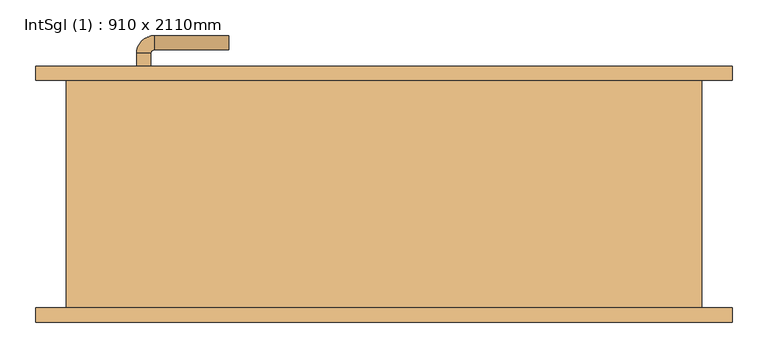
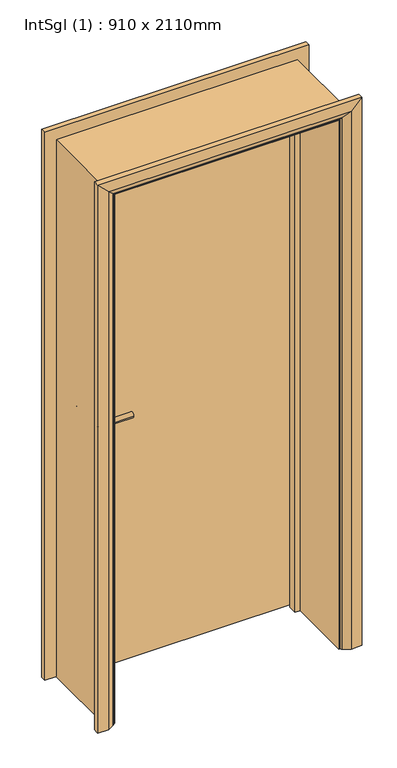
"""IFC4 building model written with IfcOpenShell, lengths in millimetres: door geometry, IntSgl (1) : 910 x 2110mm."""

import ifcopenshell
import ifcopenshell.guid

model = None  # the IFC model being written
_history = None  # IfcOwnerHistory: only IFC2X3 demands one
_inside = {}  # id of a spatial element -> (the spatial element, [elements in it])
_under = {}  # id of a project, library or spatial element -> (it, [spatial elements below it])
_declared = {}  # id of a project -> (the project, [libraries it declares])
_typed = {}  # id of a type object -> (the type object, [elements of that type])
_made_of = {}  # id of a material, layer set ... -> (it, [elements and type objects made of it])


def new_model(schema):
    """Start an empty IFC model of exactly this schema.

    Asked for "IFC4X3", IfcOpenShell would pick the latest addendum, in which some entities
    have other attributes; the version numbers below select the first issue.
    IFC2X3 requires an IfcOwnerHistory on every rooted entity: one is made here for all.
    """
    global model, _history
    if schema == "IFC4X3":
        model = ifcopenshell.file(schema_version=(4, 3, 0, 0))
    else:
        model = ifcopenshell.file(schema=schema)
    _inside.clear()
    _under.clear()
    _declared.clear()
    _typed.clear()
    _made_of.clear()
    _history = None
    if model.schema == "IFC2X3":
        org = make("IfcOrganization", Name="unknown")
        user = make(
            "IfcPersonAndOrganization",
            ThePerson=make("IfcPerson", FamilyName="unknown"),
            TheOrganization=org,
        )
        app = make(
            "IfcApplication",
            ApplicationDeveloper=org,
            Version="unknown",
            ApplicationFullName="unknown",
            ApplicationIdentifier="unknown",
        )
        _history = make(
            "IfcOwnerHistory",
            OwningUser=user,
            OwningApplication=app,
            ChangeAction="ADDED",
            CreationDate=0,
        )
    return model


def make(cls, **values):
    """One entity of the class cls with the attributes given. An attribute that is None is left unset."""
    return model.create_entity(
        cls, **{name: value for name, value in values.items() if value is not None}
    )


def rooted(cls, **values):
    """An entity with a GlobalId (a new one), such as an element, a storey or a relation."""
    return make(cls, GlobalId=ifcopenshell.guid.new(), OwnerHistory=_history, **values)


def si_unit(unit_type, name, prefix=None):
    """IfcSIUnit, for example si_unit("LENGTHUNIT", "METRE", prefix="MILLI")."""
    return make("IfcSIUnit", UnitType=unit_type, Prefix=prefix, Name=name)


def assignment(units):
    """IfcUnitAssignment: the units of a project."""
    return None if units is None else make("IfcUnitAssignment", Units=units)


def point(xyz):
    """IfcCartesianPoint."""
    return None if xyz is None else make("IfcCartesianPoint", Coordinates=xyz)


def direction(xyz):
    """IfcDirection."""
    return None if xyz is None else make("IfcDirection", DirectionRatios=xyz)


def frame(location, z_axis=None, x_axis=None):
    """IfcAxis2Placement3D, a coordinate frame: its origin and axes. An axis left out is left unset."""
    return make(
        "IfcAxis2Placement3D",
        Location=point(location),
        Axis=direction(z_axis),
        RefDirection=direction(x_axis),
    )


def frame_2d(location, x_axis=None):
    """IfcAxis2Placement2D, a coordinate frame in the plane: its origin and x axis."""
    return make(
        "IfcAxis2Placement2D", Location=point(location), RefDirection=direction(x_axis)
    )


def origin():
    """The frame at (0, 0, 0) with its axes left unset."""
    return frame((0.0, 0.0, 0.0))


def place(relative_to, where):
    """IfcLocalPlacement: puts the frame where relative to a parent placement (None: the world)."""
    return make(
        "IfcLocalPlacement", PlacementRelTo=relative_to, RelativePlacement=where
    )


def context(
    kind, dimensions, precision=None, world=None, true_north=None, identifier=None
):
    """IfcGeometricRepresentationContext, for example the 3D "Model" context."""
    return make(
        "IfcGeometricRepresentationContext",
        ContextIdentifier=identifier,
        ContextType=kind,
        CoordinateSpaceDimension=dimensions,
        Precision=precision,
        WorldCoordinateSystem=world,
        TrueNorth=true_north,
    )


def project(units=None, contexts=None):
    """IfcProject with its units and contexts."""
    return rooted(
        "IfcProject",
        Name="project",
        RepresentationContexts=contexts,
        UnitsInContext=assignment(units),
    )


def spatial(cls, under=None, at=None, **own):
    """A site, building, storey or space (cls), placed at a placement, below another one or the project."""
    s = rooted(cls, ObjectPlacement=at, **own)
    if under is not None:
        _under.setdefault(under.id(), (under, []))[1].append(s)
    return s


def polyline(points):
    """IfcPolyline through the points."""
    return make("IfcPolyline", Points=[point(p) for p in points])


def circle_curve(where, radius):
    """IfcCircle in the frame where."""
    return make("IfcCircle", Position=where, Radius=radius)


def ellipse_curve(where, semi_axis1, semi_axis2):
    """IfcEllipse in the frame where."""
    return make(
        "IfcEllipse", Position=where, SemiAxis1=semi_axis1, SemiAxis2=semi_axis2
    )


def trimmed(basis, trim1, trim2, sense, master):
    """IfcTrimmedCurve: the piece of a basis curve between two trims."""
    return make(
        "IfcTrimmedCurve",
        BasisCurve=basis,
        Trim1=trim1,
        Trim2=trim2,
        SenseAgreement=sense,
        MasterRepresentation=master,
    )


def segment(curve, same_sense, transition):
    """IfcCompositeCurveSegment."""
    return make(
        "IfcCompositeCurveSegment",
        Transition=transition,
        SameSense=same_sense,
        ParentCurve=curve,
    )


def composite_curve(segments, self_intersect=None):
    """IfcCompositeCurve: segments joined end to end."""
    return make("IfcCompositeCurve", Segments=segments, SelfIntersect=self_intersect)


def outline(outer, holes=None, kind="AREA"):
    """IfcArbitraryClosedProfileDef: a profile drawn as a closed curve; with holes, ...WithVoids."""
    if holes is None:
        return make("IfcArbitraryClosedProfileDef", ProfileType=kind, OuterCurve=outer)
    return make(
        "IfcArbitraryProfileDefWithVoids",
        ProfileType=kind,
        OuterCurve=outer,
        InnerCurves=holes,
    )


def extrude(swept, where, along, depth):
    """IfcExtrudedAreaSolid: the profile swept, set in the frame where, extruded along a direction by depth."""
    return make(
        "IfcExtrudedAreaSolid",
        SweptArea=swept,
        Position=where,
        ExtrudedDirection=direction(along),
        Depth=depth,
    )


def faces_of(points, faces, orient=None, outer=None):
    """IfcFace entities. A face is a list of loops; a loop is a list of indices into points, from 0.

    orient and outer hold one flag for each loop. By default every Orientation is true, the
    first loop of a face is its IfcFaceOuterBound and the others are IfcFaceBound.
    """
    made = []
    for i, loops in enumerate(faces):
        bounds = []
        for j, loop in enumerate(loops):
            is_outer = j == 0 if outer is None else outer[i][j]
            bounds.append(
                make(
                    "IfcFaceOuterBound" if is_outer else "IfcFaceBound",
                    Bound=make("IfcPolyLoop", Polygon=[points[k] for k in loop]),
                    Orientation=True if orient is None else orient[i][j],
                )
            )
        made.append(make("IfcFace", Bounds=bounds))
    return made


def faceted_brep(points, faces, orient=None, outer=None, voids=None):
    """IfcFacetedBrep: a solid bounded by flat faces; with voids (closed shells), ...WithVoids."""
    shared = [point(p) for p in points]
    hull = make("IfcClosedShell", CfsFaces=faces_of(shared, faces, orient, outer))
    if voids is None:
        return make("IfcFacetedBrep", Outer=hull)
    return make(
        "IfcFacetedBrepWithVoids",
        Outer=hull,
        Voids=[
            make(cls, CfsFaces=faces_of(shared, fs, o, b)) for cls, fs, o, b in voids
        ],
    )


def shape(context_of_items, identifier, shape_type, items):
    """IfcShapeRepresentation: the items that make up one representation, for example the "Body"."""
    return make(
        "IfcShapeRepresentation",
        ContextOfItems=context_of_items,
        RepresentationIdentifier=identifier,
        RepresentationType=shape_type,
        Items=items,
    )


def source(mapping_origin, context_of_items, identifier, shape_type, items):
    """IfcRepresentationMap: a shape defined once, which mapped items show again and again."""
    return make(
        "IfcRepresentationMap",
        MappingOrigin=mapping_origin,
        MappedRepresentation=shape(context_of_items, identifier, shape_type, items),
    )


def transform(
    local_origin,
    x_axis=None,
    y_axis=None,
    z_axis=None,
    scale=None,
    scale2=None,
    scale3=None,
    uniform=True,
):
    """IfcCartesianTransformationOperator3D, or its non-uniform kind. x_axis, y_axis, z_axis: its Axis1, 2, 3."""
    if uniform:
        return make(
            "IfcCartesianTransformationOperator3D",
            Axis1=direction(x_axis),
            Axis2=direction(y_axis),
            LocalOrigin=point(local_origin),
            Scale=scale,
            Axis3=direction(z_axis),
        )
    return make(
        "IfcCartesianTransformationOperator3DnonUniform",
        Axis1=direction(x_axis),
        Axis2=direction(y_axis),
        LocalOrigin=point(local_origin),
        Scale=scale,
        Axis3=direction(z_axis),
        Scale2=scale2,
        Scale3=scale3,
    )


def mapped(mapping_source, mapping_target):
    """IfcMappedItem: shows the shape of a source again, moved by a transform."""
    return make(
        "IfcMappedItem", MappingSource=mapping_source, MappingTarget=mapping_target
    )


def made_of(thing, what):
    """Note that an element or type object is made of a material, layer set ...; save() writes the relation."""
    if what is not None:
        _made_of.setdefault(what.id(), (what, []))[1].append(thing)
    return thing


def element(
    cls,
    number,
    at=None,
    inside=None,
    cuts=None,
    type_object=None,
    material=None,
    context=None,
    identifier="Body",
    shape_type=None,
    held_by="IfcProductDefinitionShape",
    body=None,
    shapes=None,
    **own,
):
    """One element of the class cls, such as IfcWall. Its Tag is "e" and its number.

    at: its placement. inside: the storey or other place that contains it. cuts: it is an
    opening in that element (IfcRelVoidsElement). A single representation is given by context,
    identifier, shape_type and body (its items); several are given by shapes. held_by: the class
    of the entity that holds the representations. save() writes the other relations.
    """
    e = rooted(cls, Tag="e%d" % number, ObjectPlacement=at, **own)
    if body is not None:
        shapes = [shape(context, identifier, shape_type, body)]
    if shapes is not None:
        e.Representation = make(held_by, Representations=shapes)
    if inside is not None:
        _inside.setdefault(inside.id(), (inside, []))[1].append(e)
    if cuts is not None:
        rooted(
            "IfcRelVoidsElement", RelatingBuildingElement=cuts, RelatedOpeningElement=e
        )
    if type_object is not None:
        _typed.setdefault(type_object.id(), (type_object, []))[1].append(e)
    return made_of(e, material)


def aggregate(whole, parts):
    """IfcRelAggregates: a whole, such as a stair, and the parts it consists of."""
    return rooted("IfcRelAggregates", RelatingObject=whole, RelatedObjects=parts)


def save(model, path):
    """Write the relations noted so far, then the file.

    IfcRelAggregates (storeys below a building ...), IfcRelContainedInSpatialStructure (elements
    in a storey), IfcRelDefinesByType, IfcRelAssociatesMaterial and IfcRelDeclares: one each for
    every whole, place, type object, material and project.
    """
    for whole, parts in _under.values():
        aggregate(whole, parts)
    for where, things in _inside.values():
        rooted(
            "IfcRelContainedInSpatialStructure",
            RelatedElements=things,
            RelatingStructure=where,
        )
    for kind, things in _typed.values():
        rooted("IfcRelDefinesByType", RelatedObjects=things, RelatingType=kind)
    for what, things in _made_of.values():
        rooted("IfcRelAssociatesMaterial", RelatedObjects=things, RelatingMaterial=what)
    for by, libraries in _declared.values():
        rooted("IfcRelDeclares", RelatingContext=by, RelatedDefinitions=libraries)
    model.write(path)


def plane_surface(at):
    """IfcPlane: the flat surface through the origin of the frame at, square to its z axis."""
    return make("IfcPlane", Position=at)


def cylinder_surface(at, radius):
    """IfcCylindricalSurface: all points at the distance radius from the z axis of the frame at."""
    return make("IfcCylindricalSurface", Position=at, Radius=radius)


def revolved_surface(curve, axis_point, axis_direction):
    """IfcSurfaceOfRevolution: the curve turned about the line through axis_point along axis_direction."""
    return make(
        "IfcSurfaceOfRevolution",
        SweptCurve=make("IfcArbitraryOpenProfileDef", ProfileType="CURVE", Curve=curve),
        AxisPosition=make("IfcAxis1Placement", Location=point(axis_point), Axis=direction(axis_direction)),
    )


def advanced_brep(points, edges, surfaces, faces):
    """IfcAdvancedBrep: a solid bounded by faces that lie on surfaces and meet in shared edges.

    An edge is (start, end): straight between two places in points (the first is 0);
    or (start, end, curve); or (start, end, curve, False) where it runs against its curve.
    A face is (place in surfaces, loops), or (place, loops, False) where it looks against
    its surface's normal. A loop lists edges by number (the first is 1), with a minus sign
    where the edge is run from its end to its start. The first loop is the outer one.
    """
    corners = [point(p) for p in points]
    vertices = [make("IfcVertexPoint", VertexGeometry=c) for c in corners]
    made = []
    for start, end, *more in edges:
        made.append(
            make(
                "IfcEdgeCurve",
                EdgeStart=vertices[start],
                EdgeEnd=vertices[end],
                EdgeGeometry=more[0] if more else make("IfcPolyline", Points=[corners[start], corners[end]]),
                SameSense=more[1] if len(more) > 1 else True,
            )
        )
    hull = []
    for where, loops, *sense in faces:
        bounds = []
        for j, loop in enumerate(loops):
            ring = [make("IfcOrientedEdge", EdgeElement=made[abs(k) - 1], Orientation=k > 0) for k in loop]
            bounds.append(
                make(
                    "IfcFaceOuterBound" if j == 0 else "IfcFaceBound",
                    Bound=make("IfcEdgeLoop", EdgeList=ring),
                    Orientation=True,
                )
            )
        hull.append(make("IfcAdvancedFace", Bounds=bounds, FaceSurface=surfaces[where], SameSense=sense[0] if sense else True))
    return make("IfcAdvancedBrep", Outer=make("IfcClosedShell", CfsFaces=hull))


def intsgl_1_910_x_2110mm_5c128fe5(model_context):
    return source(origin(), model_context, "Body", "SolidModel", [
        advanced_brep(
        [(-348.0, 114.0, 1000.0), (-328.0, 114.0, 1000.0), (-328.0, 84.0, 1000.0), (-348.0, 84.0, 1000.0), (-323.0, 79.0, 1000.0), (-323.0, 59.0, 1000.0), (-218.0, 59.0, 1000.0), (-218.0, 79.0, 1000.0)],
        [
            (0, 1, circle_curve(frame((-338.0, 114.0, 1000.0), z_axis=(0.0, 1.0, 0.0), x_axis=(1.0, 0.0, 0.0)), 10.0)),
            (1, 0, circle_curve(frame((-338.0, 114.0, 1000.0), z_axis=(0.0, 1.0, 0.0), x_axis=(1.0, 0.0, 0.0)), 10.0)),
            (1, 2),
            (2, 3, circle_curve(frame((-338.0, 84.0, 1000.0), z_axis=(0.0, 1.0, 0.0), x_axis=(1.0, 0.0, 0.0)), 10.0)),
            (3, 0),
            (3, 2, circle_curve(frame((-338.0, 84.0, 1000.0), z_axis=(0.0, 1.0, 0.0), x_axis=(1.0, 0.0, 0.0)), 10.0)),
            (4, 5, circle_curve(frame((-323.0, 69.0, 1000.0), z_axis=(-1.0, 0.0, 0.0), x_axis=(0.0, 1.0, 0.0)), 10.0)),
            (5, 3, circle_curve(frame((-323.0, 84.0, 1000.0), z_axis=(0.0, 0.0, -1.0), x_axis=(-1.0, 0.0, 0.0)), 25.0)),
            (2, 4, circle_curve(frame((-323.0, 84.0, 1000.0), z_axis=(0.0, 0.0, 1.0), x_axis=(-1.0, 0.0, 0.0)), 5.0)),
            (5, 4, circle_curve(frame((-323.0, 69.0, 1000.0), z_axis=(-1.0, 0.0, 0.0), x_axis=(0.0, 1.0, 0.0)), 10.0)),
            (6, 7, circle_curve(frame((-218.0, 69.0, 1000.0), z_axis=(1.0, 0.0, 0.0), x_axis=(0.0, 1.0, 0.0)), 10.0)),
            (7, 6, circle_curve(frame((-218.0, 69.0, 1000.0), z_axis=(1.0, 0.0, 0.0), x_axis=(0.0, 1.0, 0.0)), 10.0)),
            (4, 7),
            (6, 5),
        ],
        [
            plane_surface(frame((-338.0, 114.0, 1000.0), z_axis=(0.0, 1.0, 0.0), x_axis=(0.0, 0.0, 1.0))),
            cylinder_surface(frame((-338.0, 114.0, 1000.0), z_axis=(0.0, 1.0, 0.0), x_axis=(1.0, 0.0, 0.0)), 10.0),
            revolved_surface(trimmed(ellipse_curve(frame((-338.0, 84.0, 1000.0), z_axis=(0.0, -1.0, 0.0), x_axis=(1.0, 0.0, 0.0)), 10.0, 10.0), [point((-348.0, 84.0, 1000.0))], [point((-328.0, 84.0, 1000.0))], True, "CARTESIAN"), (-323.0, 84.0, 1000.0), (0.0, 0.0, -1.0)),
            revolved_surface(trimmed(ellipse_curve(frame((-338.0, 84.0, 1000.0), z_axis=(0.0, -1.0, 0.0), x_axis=(1.0, 0.0, 0.0)), 10.0, 10.0), [point((-328.0, 84.0, 1000.0))], [point((-348.0, 84.0, 1000.0))], True, "CARTESIAN"), (-323.0, 84.0, 1000.0), (0.0, 0.0, -1.0)),
            plane_surface(frame((-218.0, 69.0, 1000.0), z_axis=(1.0, 0.0, 0.0), x_axis=(0.0, 0.0, 1.0))),
            cylinder_surface(frame((-323.0, 69.0, 1000.0), z_axis=(-1.0, 0.0, 0.0), x_axis=(0.0, 1.0, 0.0)), 10.0),
        ],
        [
            (0, [[1, 2]]),
            (1, [[3, 4, 5, -2]]),
            (1, [[-5, 6, -3, -1]]),
            (2, [[7, 8, -4, 9]]),
            (3, [[10, -9, -6, -8]]),
            (4, [[11, 12]]),
            (5, [[13, -11, 14, -7]]),
            (5, [[-14, -12, -13, -10]]),
        ],
    ),
        extrude(outline(composite_curve([segment(trimmed(circle_curve(frame_2d((1000.0, -340.5)), 30.0), [point((1000.0, -370.5))], [point((1000.0, -310.5))], False, "CARTESIAN"), True, "CONTINUOUS"), segment(trimmed(circle_curve(frame_2d((1000.0, -340.5)), 30.0), [point((1000.0, -310.5))], [point((1000.0, -370.5))], False, "CARTESIAN"), True, "CONTINUOUS")], self_intersect=False)), frame((0.0, 114.0, 0.0), z_axis=(0.0, 1.0, 0.0), x_axis=(0.0, 0.0, 1.0)), (0.0, 0.0, 1.0), 8.0),
        advanced_brep(
        [(-348.0, 168.0, 1000.0), (-328.0, 168.0, 1000.0), (-348.0, 198.0, 1000.0), (-328.0, 198.0, 1000.0), (-323.0, 203.0, 1000.0), (-323.0, 223.0, 1000.0), (-218.0, 223.0, 1000.0), (-218.0, 203.0, 1000.0)],
        [
            (0, 1, circle_curve(frame((-338.0, 168.0, 1000.0), z_axis=(0.0, -1.0, 0.0), x_axis=(1.0, 0.0, 0.0)), 10.0)),
            (1, 0, circle_curve(frame((-338.0, 168.0, 1000.0), z_axis=(0.0, -1.0, 0.0), x_axis=(1.0, 0.0, 0.0)), 10.0)),
            (0, 2),
            (2, 3, circle_curve(frame((-338.0, 198.0, 1000.0), z_axis=(0.0, -1.0, 0.0), x_axis=(1.0, 0.0, 0.0)), 10.0)),
            (3, 1),
            (3, 2, circle_curve(frame((-338.0, 198.0, 1000.0), z_axis=(0.0, -1.0, 0.0), x_axis=(1.0, 0.0, 0.0)), 10.0)),
            (4, 3, circle_curve(frame((-323.0, 198.0, 1000.0), z_axis=(0.0, 0.0, 1.0), x_axis=(-1.0, 0.0, 0.0)), 5.0)),
            (2, 5, circle_curve(frame((-323.0, 198.0, 1000.0), z_axis=(0.0, 0.0, -1.0), x_axis=(-1.0, 0.0, 0.0)), 25.0)),
            (5, 4, circle_curve(frame((-323.0, 213.0, 1000.0), z_axis=(-1.0, 0.0, 0.0), x_axis=(0.0, -1.0, 0.0)), 10.0)),
            (4, 5, circle_curve(frame((-323.0, 213.0, 1000.0), z_axis=(-1.0, 0.0, 0.0), x_axis=(0.0, -1.0, 0.0)), 10.0)),
            (6, 7, circle_curve(frame((-218.0, 213.0, 1000.0), z_axis=(1.0, 0.0, 0.0), x_axis=(0.0, -1.0, 0.0)), 10.0)),
            (7, 6, circle_curve(frame((-218.0, 213.0, 1000.0), z_axis=(1.0, 0.0, 0.0), x_axis=(0.0, -1.0, 0.0)), 10.0)),
            (5, 6),
            (7, 4),
        ],
        [
            plane_surface(frame((-338.0, 168.0, 1000.0), z_axis=(0.0, -1.0, 0.0), x_axis=(0.0, 0.0, 1.0))),
            cylinder_surface(frame((-338.0, 168.0, 1000.0), z_axis=(0.0, -1.0, 0.0), x_axis=(1.0, 0.0, 0.0)), 10.0),
            revolved_surface(trimmed(ellipse_curve(frame((-338.0, 198.0, 1000.0), z_axis=(0.0, -1.0, 0.0), x_axis=(1.0, 0.0, 0.0)), 10.0, 10.0), [point((-348.0, 198.0, 1000.0))], [point((-328.0, 198.0, 1000.0))], True, "CARTESIAN"), (-323.0, 198.0, 1000.0), (0.0, 0.0, -1.0)),
            revolved_surface(trimmed(ellipse_curve(frame((-338.0, 198.0, 1000.0), z_axis=(0.0, -1.0, 0.0), x_axis=(1.0, 0.0, 0.0)), 10.0, 10.0), [point((-328.0, 198.0, 1000.0))], [point((-348.0, 198.0, 1000.0))], True, "CARTESIAN"), (-323.0, 198.0, 1000.0), (0.0, 0.0, -1.0)),
            plane_surface(frame((-218.0, 213.0, 1000.0), z_axis=(1.0, 0.0, 0.0), x_axis=(0.0, 0.0, 1.0))),
            cylinder_surface(frame((-323.0, 213.0, 1000.0), z_axis=(-1.0, 0.0, 0.0), x_axis=(0.0, -1.0, 0.0)), 10.0),
        ],
        [
            (0, [[1, 2]]),
            (1, [[-1, 3, 4, 5]]),
            (1, [[-2, -5, 6, -3]]),
            (2, [[7, -4, 8, 9]]),
            (3, [[-8, -6, -7, 10]]),
            (4, [[11, 12]]),
            (5, [[-9, 13, -12, 14]]),
            (5, [[-10, -14, -11, -13]]),
        ],
    ),
        extrude(outline(composite_curve([segment(trimmed(circle_curve(frame_2d((1000.0, -340.5)), 30.0), [point((1000.0, -370.5))], [point((1000.0, -310.5))], False, "CARTESIAN"), True, "CONTINUOUS"), segment(trimmed(circle_curve(frame_2d((1000.0, -340.5)), 30.0), [point((1000.0, -310.5))], [point((1000.0, -370.5))], False, "CARTESIAN"), True, "CONTINUOUS")], self_intersect=False)), frame((0.0, 160.0, 0.0), z_axis=(0.0, 1.0, 0.0), x_axis=(0.0, 0.0, 1.0)), (0.0, 0.0, 1.0), 8.0),
        extrude(outline(polyline([(413.0, 122.0), (-413.0, 122.0), (-413.0, 160.0), (413.0, 160.0), (413.0, 122.0)])), frame((0.0, 0.0, 8.0), z_axis=(0.0, 0.0, 1.0), x_axis=(1.0, 0.0, 0.0)), (0.0, 0.0, 1.0), 2060.0),
        advanced_brep(
        [(490.0, 180.0, 0.0), (490.0, 160.0, 0.0), (420.0, 160.0, 0.0), (424.0, 166.0, 0.0), (450.0, 180.0, 0.0), (490.0, 180.0, 2145.0), (490.0, 160.0, 2145.0), (-490.0, 160.0, 2145.0), (-490.0, 160.0, 0.0), (-420.0, 160.0, 0.0), (-420.0, 160.0, 2075.0), (420.0, 160.0, 2075.0), (424.0, 166.0, 2079.0), (450.0, 180.0, 2105.0), (-450.0, 180.0, 2105.0), (-450.0, 180.0, 0.0), (-490.0, 180.0, 0.0), (-490.0, 180.0, 2145.0), (-424.0, 166.0, 2079.0), (-424.0, 166.0, 0.0)],
        [
            (0, 1),
            (1, 2),
            (2, 3, circle_curve(frame((428.0, 159.0, 0.0), z_axis=(0.0, 0.0, -1.0), x_axis=(1.0, 0.0, 0.0)), 8.0622577)),
            (3, 4),
            (4, 0),
            (0, 5),
            (5, 6),
            (6, 1),
            (6, 7),
            (7, 8),
            (8, 9),
            (9, 10),
            (10, 11),
            (11, 2),
            (11, 12, ellipse_curve(frame((428.0, 159.0, 2083.0), z_axis=(0.7071067811865475, 0.0, -0.7071067811865475), x_axis=(-0.7071067811865474, 0.0, -0.7071067811865476)), 11.4017543, 8.0622577)),
            (12, 3),
            (12, 13),
            (13, 4),
            (13, 14),
            (14, 15),
            (15, 16),
            (16, 17),
            (17, 5),
            (17, 7),
            (10, 18, ellipse_curve(frame((-428.0, 159.0, 2083.0), z_axis=(0.7071067811865475, 0.0, 0.7071067811865475), x_axis=(0.7071067811865476, 0.0, -0.7071067811865474)), 11.4017543, 8.0622577)),
            (18, 12),
            (18, 14),
            (15, 19),
            (19, 9, circle_curve(frame((-428.0, 159.0, 0.0), z_axis=(0.0, 0.0, -1.0), x_axis=(-1.0, 0.0, 0.0)), 8.0622577)),
            (8, 16),
            (19, 18),
        ],
        [
            plane_surface(frame((420.0, 160.0, 0.0), z_axis=(0.0, 0.0, -1.0), x_axis=(0.0, -1.0, 0.0))),
            plane_surface(frame((490.0, 180.0, 0.0), z_axis=(1.0, 0.0, 0.0), x_axis=(0.0, 0.0, 1.0))),
            plane_surface(frame((490.0, 160.0, 0.0), z_axis=(0.0, -1.0, 0.0), x_axis=(0.0, 0.0, 1.0))),
            cylinder_surface(frame((428.0, 159.0, 0.0), z_axis=(0.0, 0.0, -1.0), x_axis=(1.0, 0.0, 0.0)), 8.0622577),
            plane_surface(frame((424.0, 166.0, 0.0), z_axis=(-0.4740998230350126, 0.880471099922178, 0.0), x_axis=(0.0, 0.0, 1.0))),
            plane_surface(frame((450.0, 180.0, 0.0), z_axis=(0.0, 1.0, 0.0), x_axis=(0.0, 0.0, 1.0))),
            plane_surface(frame((490.0, 180.0, 2145.0), z_axis=(0.0, 0.0, 1.0), x_axis=(-1.0, 0.0, 0.0))),
            cylinder_surface(frame((420.0, 159.0, 2083.0), z_axis=(1.0, 0.0, 0.0), x_axis=(0.0, 0.0, 1.0)), 8.0622577),
            plane_surface(frame((424.0, 166.0, 2079.0), z_axis=(0.0, 0.8804710999221764, -0.4740998230350154), x_axis=(-1.0, 0.0, 0.0))),
            plane_surface(frame((-420.0, 160.0, 0.0), z_axis=(0.0, 0.0, -1.0), x_axis=(0.0, -1.0, 0.0))),
            plane_surface(frame((-490.0, 180.0, 2145.0), z_axis=(-1.0, 0.0, 0.0), x_axis=(0.0, 0.0, -1.0))),
            cylinder_surface(frame((-428.0, 159.0, 2075.0), z_axis=(0.0, 0.0, 1.0), x_axis=(-1.0, 0.0, 0.0)), 8.0622577),
            plane_surface(frame((-424.0, 166.0, 2079.0), z_axis=(0.47409982303501824, 0.8804710999221749, 0.0), x_axis=(0.0, 0.0, -1.0))),
        ],
        [
            (0, [[1, 2, 3, 4, 5]]),
            (1, [[-1, 6, 7, 8]]),
            (2, [[-2, -8, 9, 10, 11, 12, 13, 14]]),
            (3, [[-3, -14, 15, 16]]),
            (4, [[-4, -16, 17, 18]]),
            (5, [[-5, -18, 19, 20, 21, 22, 23, -6]]),
            (6, [[-7, -23, 24, -9]]),
            (7, [[-15, -13, 25, 26]]),
            (8, [[-17, -26, 27, -19]]),
            (9, [[-21, 28, 29, -11, 30]]),
            (10, [[-24, -22, -30, -10]]),
            (11, [[-25, -12, -29, 31]]),
            (12, [[-27, -31, -28, -20]]),
        ],
    ),
        extrude(outline(polyline([(0.0, -415.0), (0.0, -396.0), (2051.0, -396.0), (2051.0, 396.0), (0.0, 396.0), (0.0, 415.0), (2070.0, 415.0), (2070.0, -415.0), (0.0, -415.0)])), frame((0.0, 88.0, 0.0), z_axis=(0.0, 1.0, 0.0), x_axis=(0.0, 0.0, 1.0)), (0.0, 0.0, 1.0), 32.0),
        advanced_brep(
        [(-490.0, -180.0, 0.0), (-490.0, -160.0, 0.0), (-420.0, -160.0, 0.0), (-424.0, -166.0, 0.0), (-450.0, -180.0, 0.0), (-490.0, -180.0, 2145.0), (-490.0, -160.0, 2145.0), (-420.0, -160.0, 2075.0), (-424.0, -166.0, 2079.0), (-450.0, -180.0, 2105.0), (490.0, -180.0, 2145.0), (490.0, -160.0, 2145.0), (420.0, -160.0, 2075.0), (424.0, -166.0, 2079.0), (450.0, -180.0, 2105.0), (490.0, -180.0, 0.0), (450.0, -180.0, 0.0), (424.0, -166.0, 0.0), (420.0, -160.0, 0.0), (490.0, -160.0, 0.0)],
        [
            (0, 1),
            (1, 2),
            (2, 3, circle_curve(frame((-428.0, -159.0, 0.0), z_axis=(0.0, 0.0, -1.0), x_axis=(-1.0, 0.0, 0.0)), 8.0622577)),
            (3, 4),
            (4, 0),
            (0, 5),
            (5, 6),
            (6, 1),
            (6, 7),
            (7, 2),
            (7, 8, ellipse_curve(frame((-428.0, -159.0, 2083.0), z_axis=(-0.7071067811865475, 0.0, -0.7071067811865475), x_axis=(0.7071067811865474, 0.0, -0.7071067811865476)), 11.4017543, 8.0622577)),
            (8, 3),
            (8, 9),
            (9, 4),
            (9, 5),
            (5, 10),
            (10, 11),
            (11, 6),
            (11, 12),
            (12, 7),
            (12, 13, ellipse_curve(frame((428.0, -159.0, 2083.0), z_axis=(-0.7071067811865475, 0.0, 0.7071067811865475), x_axis=(-0.7071067811865476, 0.0, -0.7071067811865474)), 11.4017543, 8.0622577)),
            (13, 8),
            (13, 14),
            (14, 9),
            (14, 10),
            (15, 16),
            (16, 17),
            (17, 18, circle_curve(frame((428.0, -159.0, 0.0), z_axis=(0.0, 0.0, -1.0), x_axis=(1.0, 0.0, 0.0)), 8.0622577)),
            (18, 19),
            (19, 15),
            (10, 15),
            (19, 11),
            (18, 12),
            (17, 13),
            (16, 14),
        ],
        [
            plane_surface(frame((-420.0, -232.8010989, 0.0), z_axis=(0.0, 0.0, -1.0), x_axis=(1.0, 0.0, 0.0))),
            plane_surface(frame((-490.0, -180.0, 0.0), z_axis=(-1.0, 0.0, 0.0), x_axis=(0.0, 0.0, 1.0))),
            plane_surface(frame((-490.0, -160.0, 0.0), z_axis=(0.0, 1.0, 0.0), x_axis=(0.0, 0.0, 1.0))),
            cylinder_surface(frame((-428.0, -159.0, 0.0), z_axis=(0.0, 0.0, -1.0), x_axis=(-1.0, 0.0, 0.0)), 8.0622577),
            plane_surface(frame((-424.0, -166.0, 0.0), z_axis=(0.4740998230350183, -0.8804710999221749, 0.0), x_axis=(0.0, 0.0, 1.0))),
            plane_surface(frame((-450.0, -180.0, 0.0), z_axis=(0.0, -1.0, 0.0), x_axis=(0.0, 0.0, 1.0))),
            plane_surface(frame((-490.0, -180.0, 2145.0), z_axis=(0.0, 0.0, 1.0), x_axis=(1.0, 0.0, 0.0))),
            plane_surface(frame((-490.0, -160.0, 2145.0), z_axis=(0.0, 1.0, 0.0), x_axis=(1.0, 0.0, 0.0))),
            cylinder_surface(frame((-420.0, -159.0, 2083.0), z_axis=(-1.0, 0.0, 0.0), x_axis=(0.0, 0.0, 1.0)), 8.0622577),
            plane_surface(frame((-424.0, -166.0, 2079.0), z_axis=(0.0, -0.8804710999221749, -0.4740998230350183), x_axis=(1.0, 0.0, 0.0))),
            plane_surface(frame((-450.0, -180.0, 2105.0), z_axis=(0.0, -1.0, 0.0), x_axis=(1.0, 0.0, 0.0))),
            plane_surface(frame((420.0, -232.8010989, 0.0), z_axis=(0.0, 0.0, -1.0), x_axis=(-1.0, 0.0, 0.0))),
            plane_surface(frame((490.0, -180.0, 2145.0), z_axis=(1.0, 0.0, 0.0), x_axis=(0.0, 0.0, -1.0))),
            plane_surface(frame((490.0, -160.0, 2145.0), z_axis=(0.0, 1.0, 0.0), x_axis=(0.0, 0.0, -1.0))),
            cylinder_surface(frame((428.0, -159.0, 2075.0), z_axis=(0.0, 0.0, 1.0), x_axis=(1.0, 0.0, 0.0)), 8.0622577),
            plane_surface(frame((424.0, -166.0, 2079.0), z_axis=(-0.4740998230350183, -0.8804710999221749, 0.0), x_axis=(0.0, 0.0, -1.0))),
            plane_surface(frame((450.0, -180.0, 2105.0), z_axis=(0.0, -1.0, 0.0), x_axis=(0.0, 0.0, -1.0))),
        ],
        [
            (0, [[1, 2, 3, 4, 5]]),
            (1, [[-1, 6, 7, 8]]),
            (2, [[-2, -8, 9, 10]]),
            (3, [[-3, -10, 11, 12]]),
            (4, [[-4, -12, 13, 14]]),
            (5, [[-5, -14, 15, -6]]),
            (6, [[-7, 16, 17, 18]]),
            (7, [[-9, -18, 19, 20]]),
            (8, [[-11, -20, 21, 22]]),
            (9, [[-13, -22, 23, 24]]),
            (10, [[-15, -24, 25, -16]]),
            (11, [[26, 27, 28, 29, 30]]),
            (12, [[-17, 31, -30, 32]]),
            (13, [[-19, -32, -29, 33]]),
            (14, [[-21, -33, -28, 34]]),
            (15, [[-23, -34, -27, 35]]),
            (16, [[-25, -35, -26, -31]]),
        ],
    ),
        faceted_brep([(-415.0, 160.0, 0.0), (-415.0, -160.0, 0.0), (-447.0, -160.0, 0.0), (-447.0, 160.0, 0.0), (-415.0, 160.0, 2070.0), (-415.0, -160.0, 2070.0), (-447.0, -160.0, 2102.0), (-447.0, 160.0, 2102.0), (415.0, 160.0, 2070.0), (415.0, -160.0, 2070.0), (447.0, -160.0, 2102.0), (447.0, 160.0, 2102.0), (415.0, 160.0, 0.0), (447.0, 160.0, 0.0), (447.0, -160.0, 0.0), (415.0, -160.0, 0.0)], [[[0, 1, 2, 3]], [[1, 0, 4, 5]], [[2, 1, 5, 6]], [[3, 2, 6, 7]], [[0, 3, 7, 4]], [[5, 4, 8, 9]], [[6, 5, 9, 10]], [[7, 6, 10, 11]], [[4, 7, 11, 8]], [[12, 13, 14, 15]], [[9, 8, 12, 15]], [[10, 9, 15, 14]], [[11, 10, 14, 13]], [[8, 11, 13, 12]]]),
    ])


if __name__ == "__main__":
    model = new_model("IFC4")
    model_context = context("Model", 3, world=origin())
    ifc_project = project(units=[si_unit("LENGTHUNIT", "METRE", prefix="MILLI")], contexts=[model_context])
    site = spatial("IfcSite", under=ifc_project)
    building = spatial("IfcBuilding", under=site)
    placement = place(None, origin())
    intsgl_1_910_x_2110mm_shape = intsgl_1_910_x_2110mm_5c128fe5(model_context)
    element("IfcDoor", 1, ObjectType="IntSgl (1) : 910 x 2110mm", at=placement, inside=building, context=model_context, shape_type="MappedRepresentation", body=[
        mapped(intsgl_1_910_x_2110mm_shape, transform((0.0, 0.0, 0.0), x_axis=(1.0, 0.0, 0.0), y_axis=(0.0, 1.0, 0.0), z_axis=(0.0, 0.0, 1.0))),
    ])
    save(model, "model.ifc")
